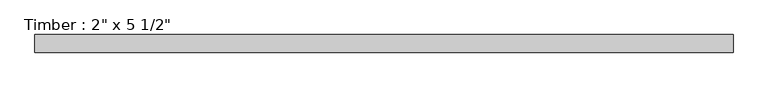
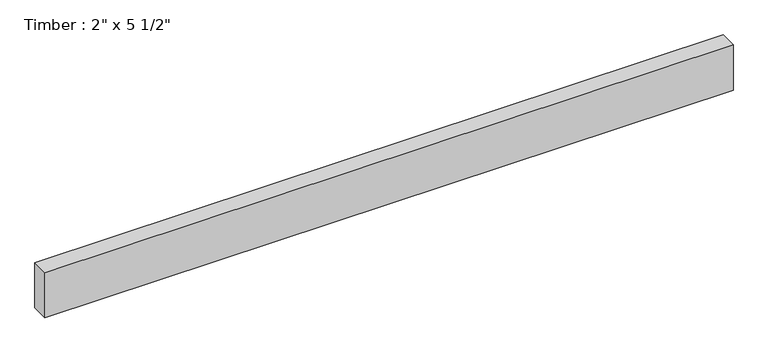
"""IFC4 building model written with IfcOpenShell, lengths in millimetres: beam geometry."""

from ifc_helpers import new_model, si_unit, frame, origin, place, context, project, spatial, polyline, outline, extrude, source, transform, mapped, element, save


def beam_e47eebd3(model_context):
    return source(origin(), model_context, "Body", "SweptSolid", [
        extrude(outline(polyline([(1006.5249181, 25.4), (1006.5249181, -25.4), (-1006.5249175, -25.4), (-1006.5249175, 25.4), (1006.5249181, 25.4)])), frame((0.0, 0.0, -69.85), z_axis=(0.0, 0.0, 1.0), x_axis=(1.0, 0.0, 0.0)), (0.0, 0.0, 1.0), 139.7),
    ])


if __name__ == "__main__":
    model = new_model("IFC4")
    model_context = context("Model", 3, world=origin())
    ifc_project = project(units=[si_unit("LENGTHUNIT", "METRE", prefix="MILLI")], contexts=[model_context])
    site = spatial("IfcSite", under=ifc_project)
    building = spatial("IfcBuilding", under=site)
    placement = place(None, origin())
    beam_shape = beam_e47eebd3(model_context)
    element("IfcBeam", 1, ObjectType="Timber : 2\" x 5 1/2\"", at=placement, inside=building, context=model_context, shape_type="MappedRepresentation", body=[
        mapped(beam_shape, transform((0.0, 0.0, 0.0), x_axis=(1.0, 0.0, 0.0), y_axis=(0.0, 1.0, 0.0), z_axis=(0.0, 0.0, 1.0))),
    ])
    save(model, "model.ifc")
